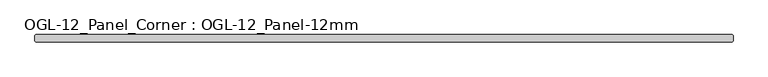
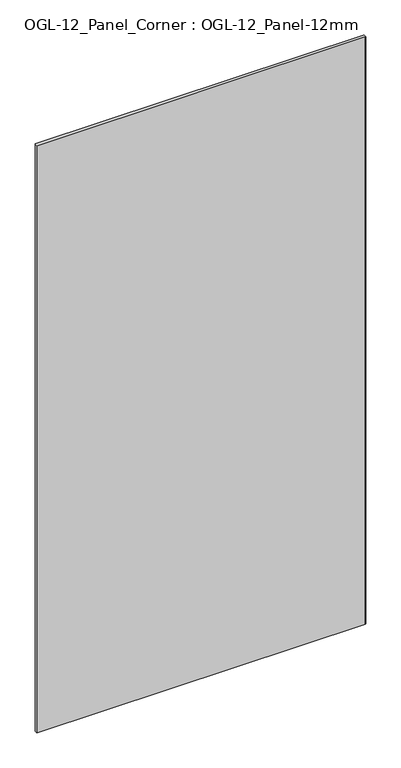
"""IFC4 building model written with IfcOpenShell, lengths in millimetres: plate geometry, OGL-12_Panel_Corner : OGL-12_Panel-12mm."""

from ifc_helpers import new_model, si_unit, origin, origin_with_axes, place, context, project, spatial, polyline, outline, extrude, source, transform, mapped, element, save


def ogl_12_panel_corner_ogl_12_panel_12mm_c4823dc2(model_context):
    return source(origin(), model_context, "Body", "SweptSolid", [
        extrude(outline(polyline([(618.1922268, 6.35), (619.7797268, 4.7625), (619.7797268, -4.7625), (618.1922268, -6.35), (-618.1922268, -6.35), (-619.7797268, -4.7625), (-619.7797268, 4.7625), (-618.1922268, 6.35), (618.1922268, 6.35)])), origin_with_axes(), (0.0, 0.0, 1.0), 2339.914687),
    ])


if __name__ == "__main__":
    model = new_model("IFC4")
    model_context = context("Model", 3, world=origin())
    ifc_project = project(units=[si_unit("LENGTHUNIT", "METRE", prefix="MILLI")], contexts=[model_context])
    site = spatial("IfcSite", under=ifc_project)
    building = spatial("IfcBuilding", under=site)
    placement = place(None, origin())
    ogl_12_panel_corner_ogl_12_panel_12mm_shape = ogl_12_panel_corner_ogl_12_panel_12mm_c4823dc2(model_context)
    element("IfcPlate", 1, ObjectType="OGL-12_Panel_Corner : OGL-12_Panel-12mm", at=placement, inside=building, context=model_context, shape_type="MappedRepresentation", body=[
        mapped(ogl_12_panel_corner_ogl_12_panel_12mm_shape, transform((0.0, 0.0, 0.0), x_axis=(1.0, 0.0, 0.0), y_axis=(0.0, 1.0, 0.0), z_axis=(0.0, 0.0, 1.0))),
    ])
    save(model, "model.ifc")
